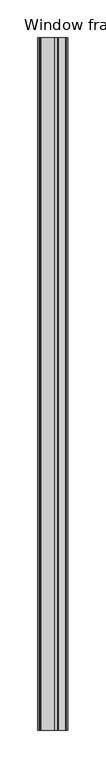
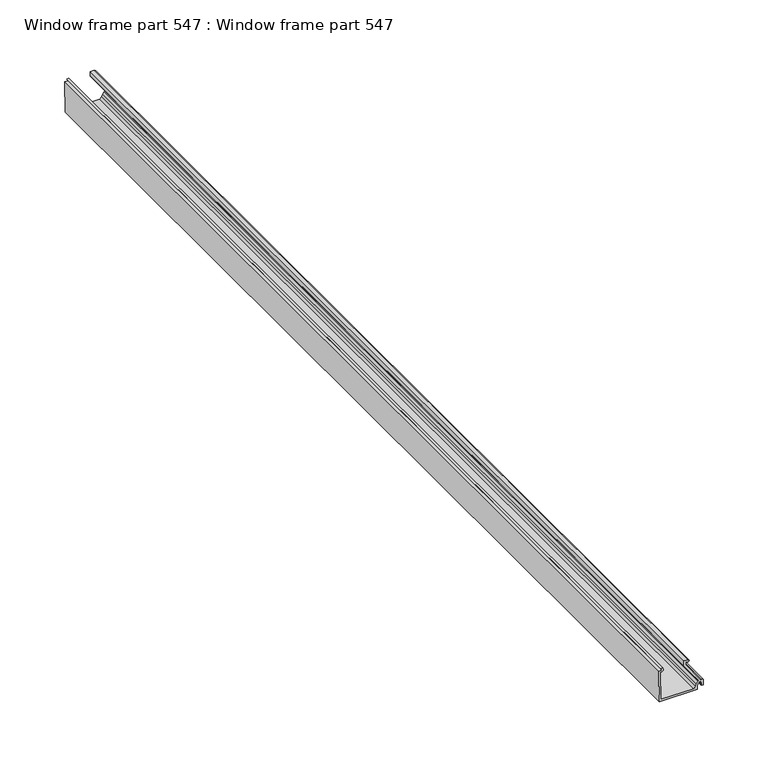
"""IFC4 building model written with IfcOpenShell, lengths in millimetres: proxy geometry, Window frame part 547 : Window frame part 547."""

from ifc_helpers import new_model, si_unit, frame, origin, place, context, project, spatial, polyline, outline, extrude, source, transform, mapped, element, save


def window_frame_part_547_window_frame_part_547_3c079a6a(model_context):
    return source(origin(), model_context, "Body", "SweptSolid", [
        extrude(outline(polyline([(2901.95, 37543.3867773), (2901.95, 37577.2650271), (2904.5535, 37577.4354773), (2906.8236928, 37577.6214645), (2908.5166028, 37579.3143745), (2908.1135193, 37580.8775062), (2905.5187, 37581.4474073), (2904.5535, 37581.4474073), (2904.2487, 37580.7108073), (2904.2487, 37582.4634073), (2909.379373, 37582.4634073), (2909.7859, 37581.4980803), (2909.7859, 37580.4312803), (2910.3447, 37579.5652183), (2928.4676, 37566.8754273), (2930.9441, 37566.8754273), (2930.9441, 37568.346801), (2930.4998425, 37569.1870697), (2931.5156, 37570.2028273), (2932.5316, 37569.1868273), (2932.5316, 37565.4784273), (2928.0271277, 37565.4784273), (2909.865467, 37578.1953589), (2909.0522331, 37578.1242103), (2907.4359354, 37576.5079127), (2905.3155, 37575.8606773), (2903.5375, 37574.0826773), (2903.5375, 37544.9361773), (2929.2869446, 37544.6059773), (2929.2869446, 37545.788398), (2930.0742472, 37547.152046), (2931.6490468, 37547.152046), (2932.8364, 37546.4665273), (2932.5087891, 37544.815548), (2930.87425, 37545.7680273), (2930.87425, 37543.0121273), (2901.95, 37543.3867773)])), frame((0.0, -19576.8264269, 0.0), z_axis=(0.0, 1.0, 0.0), x_axis=(0.0, 0.0, 1.0)), (0.0, 0.0, 1.0), 914.4),
    ])


if __name__ == "__main__":
    model = new_model("IFC4")
    model_context = context("Model", 3, world=origin())
    ifc_project = project(units=[si_unit("LENGTHUNIT", "METRE", prefix="MILLI")], contexts=[model_context])
    site = spatial("IfcSite", under=ifc_project)
    building = spatial("IfcBuilding", under=site)
    placement = place(None, origin())
    window_frame_part_547_window_frame_part_547_shape = window_frame_part_547_window_frame_part_547_3c079a6a(model_context)
    element("IfcBuildingElementProxy", 1, Name="Window frame part 547 : Window frame part 547", ObjectType="Window frame part 547 : Window frame part 547", at=placement, inside=building, context=model_context, shape_type="MappedRepresentation", body=[
        mapped(window_frame_part_547_window_frame_part_547_shape, transform((0.0, 0.0, 0.0), x_axis=(1.0, 0.0, 0.0), y_axis=(0.0, 1.0, 0.0), z_axis=(0.0, 0.0, 1.0))),
    ])
    save(model, "model.ifc")
